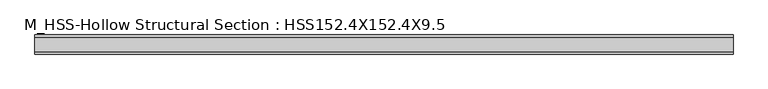
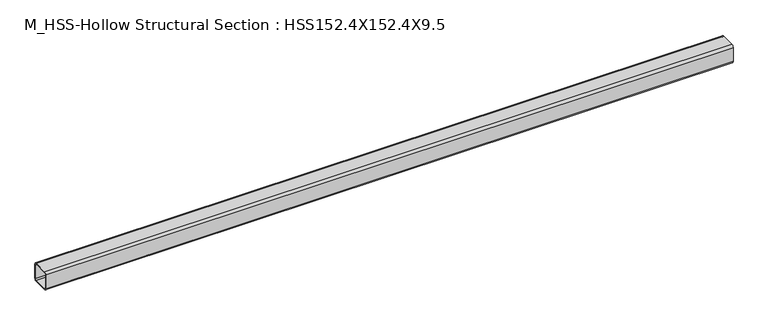
"""IFC4 building model written with IfcOpenShell, lengths in millimetres: member geometry, M_HSS-Hollow Structural Section : HSS152.4X152.4X9.5."""

from ifc_helpers import new_model, si_unit, point, frame, frame_2d, origin, place, context, project, spatial, polyline, circle_curve, trimmed, segment, composite_curve, outline, extrude, source, transform, mapped, element, save


def m_hss_hollow_structural_section_hss152_4x152_4x9_5_fec7b431(model_context):
    return source(origin(), model_context, "Body", "SweptSolid", [
        extrude(outline(composite_curve([segment(polyline([(76.0, 58.2), (76.0, -58.2)]), True, "CONTINUOUS"), segment(trimmed(circle_curve(frame_2d((58.2, -58.2)), 17.8), [point((76.0, -58.2))], [point((58.2, -76.0))], False, "CARTESIAN"), True, "CONTINUOUS"), segment(polyline([(58.2, -76.0), (-58.2, -76.0)]), True, "CONTINUOUS"), segment(trimmed(circle_curve(frame_2d((-58.2, -58.2)), 17.8), [point((-58.2, -76.0))], [point((-76.0, -58.2))], False, "CARTESIAN"), True, "CONTINUOUS"), segment(polyline([(-76.0, -58.2), (-76.0, 58.2)]), True, "CONTINUOUS"), segment(trimmed(circle_curve(frame_2d((-58.2, 58.2)), 17.8), [point((-76.0, 58.2))], [point((-58.2, 76.0))], False, "CARTESIAN"), True, "CONTINUOUS"), segment(polyline([(-58.2, 76.0), (58.2, 76.0)]), True, "CONTINUOUS"), segment(trimmed(circle_curve(frame_2d((58.2, 58.2)), 17.8), [point((58.2, 76.0))], [point((76.0, 58.2))], False, "CARTESIAN"), True, "CONTINUOUS")], self_intersect=False), holes=[composite_curve([segment(trimmed(circle_curve(frame_2d((-58.2, 58.2)), 8.9), [point((-58.2, 67.1))], [point((-67.1, 58.2))], True, "CARTESIAN"), True, "CONTINUOUS"), segment(polyline([(-67.1, 58.2), (-67.1, -58.2)]), True, "CONTINUOUS"), segment(trimmed(circle_curve(frame_2d((-58.2, -58.2)), 8.9), [point((-67.1, -58.2))], [point((-58.2, -67.1))], True, "CARTESIAN"), True, "CONTINUOUS"), segment(polyline([(-58.2, -67.1), (58.2, -67.1)]), True, "CONTINUOUS"), segment(trimmed(circle_curve(frame_2d((58.2, -58.2)), 8.9), [point((58.2, -67.1))], [point((67.1, -58.2))], True, "CARTESIAN"), True, "CONTINUOUS"), segment(polyline([(67.1, -58.2), (67.1, 58.2)]), True, "CONTINUOUS"), segment(trimmed(circle_curve(frame_2d((58.2, 58.2)), 8.9), [point((67.1, 58.2))], [point((58.2, 67.1))], True, "CARTESIAN"), True, "CONTINUOUS"), segment(polyline([(58.2, 67.1), (-58.2, 67.1)]), True, "CONTINUOUS")], self_intersect=False)]), frame((-2815.1285982, 0.0, 0.0), z_axis=(1.0, 0.0, 0.0), x_axis=(0.0, 1.0, 0.0)), (0.0, 0.0, 1.0), 5553.4891021),
    ])


if __name__ == "__main__":
    model = new_model("IFC4")
    model_context = context("Model", 3, world=origin())
    ifc_project = project(units=[si_unit("LENGTHUNIT", "METRE", prefix="MILLI")], contexts=[model_context])
    site = spatial("IfcSite", under=ifc_project)
    building = spatial("IfcBuilding", under=site)
    placement = place(None, origin())
    m_hss_hollow_structural_section_hss152_4x152_4x9_5_shape = m_hss_hollow_structural_section_hss152_4x152_4x9_5_fec7b431(model_context)
    element("IfcMember", 1, ObjectType="M_HSS-Hollow Structural Section : HSS152.4X152.4X9.5", at=placement, inside=building, context=model_context, shape_type="MappedRepresentation", body=[
        mapped(m_hss_hollow_structural_section_hss152_4x152_4x9_5_shape, transform((0.0, 0.0, 0.0), x_axis=(1.0, 0.0, 0.0), y_axis=(0.0, 1.0, 0.0), z_axis=(0.0, 0.0, 1.0))),
    ])
    save(model, "model.ifc")
